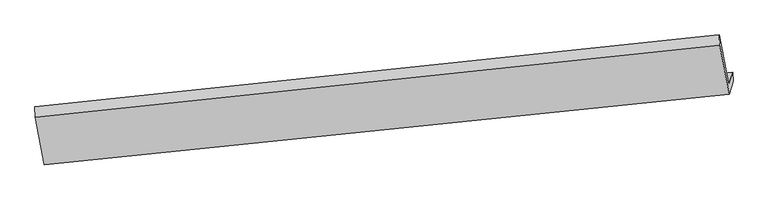
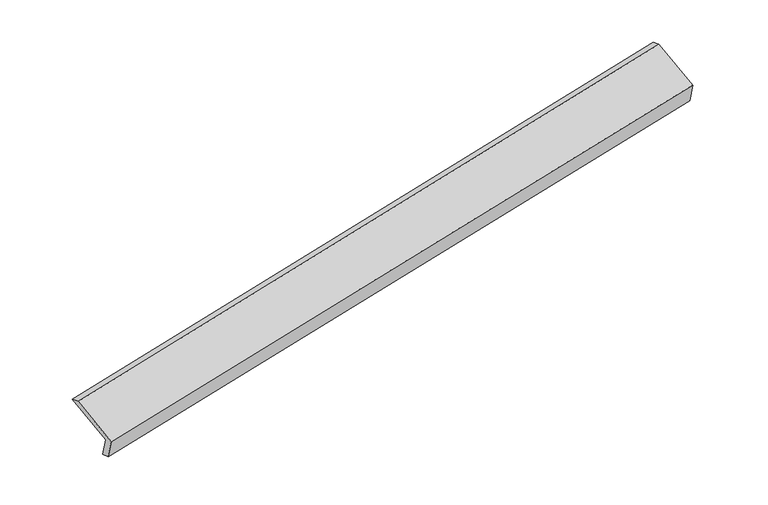
"""IFC4 building model written with IfcOpenShell, lengths in millimetres: proxy geometry."""

from ifc_helpers import new_model, si_unit, frame, origin, place, context, project, spatial, source, transform, mapped, element, save
from ifc_brep_helpers import plane_surface, spline_surface, advanced_brep


def generic_models_68d796a6(model_context):
    return source(origin(), model_context, "Body", "AdvancedBrep", [
        advanced_brep(
        [(-7590.3658871, -2041.4841684, 617.1451943), (-7643.9712597, -2213.4077821, 981.084775), (1967.7733551, -1229.8028716, 2867.0471441), (2021.3787278, -1057.8792578, 2503.1075633), (-7583.0472233, -2177.1801785, 651.3364833), (2026.9823968, -1184.5721867, 2541.2992672), (-7639.1041232, -2356.9663515, 1031.9200634), (1970.9254969, -1364.3583597, 2921.8828474), (-7766.7705006, -1686.7655924, 1329.716012), (1840.6866273, -680.6529785, 3225.6794185), (-7772.0879501, -1540.8430485, 1279.9311283), (1835.3691779, -534.7304347, 3175.8945348)],
        [
            (0, 1),
            (1, 2),
            (2, 3),
            (3, 0),
            (4, 0),
            (3, 5),
            (5, 4),
            (6, 4),
            (5, 7),
            (7, 6),
            (8, 6),
            (7, 9),
            (9, 8),
            (10, 8),
            (9, 11),
            (11, 10),
            (1, 10),
            (11, 2),
        ],
        [
            plane_surface(frame((-7617.1685734, -2127.4459752, 799.1149847), z_axis=(-0.17066650293905922, 0.9003938843313181, 0.40020469491663063), x_axis=(-0.13201400478670242, -0.4233964551770642, 0.89627436886462))),
            spline_surface(1, 1, [[(-7583.0472233, -2177.1801785, 651.3364833), (2026.9823968, -1184.5721867, 2541.2992672)], [(-7590.3658871, -2041.4841684, 617.1451943), (2021.3787278, -1057.8792578, 2503.1075633)]], [2, 2], [2, 2], [0.0, 1.0], [0.0, 1.0]),
            plane_surface(frame((-7611.0756732, -2267.073265, 841.6282733), z_axis=(0.17165830532847312, -0.900291704531418, -0.4000103410709164), x_axis=(0.13201400478658967, 0.42339645517709656, -0.8962743688646213))),
            plane_surface(frame((-7702.9373119, -2021.8659719, 1180.8180377), z_axis=(-0.13250985897131307, -0.4234476483342984, 0.8961770061743134), x_axis=(0.17149947417328307, -0.9003081317137166, -0.4000414957581833))),
            plane_surface(frame((-7769.4292254, -1613.8043204, 1304.8235702), z_axis=(-0.2151516996153848, 0.3083040845086185, 0.9266381913281548), x_axis=(0.0344677615531478, -0.9458714139933919, 0.3227061226621785))),
            plane_surface(frame((-7708.0296049, -1877.1254153, 1130.5079517), z_axis=(0.13250985897132234, 0.42344764833424786, -0.896177006174336), x_axis=(-0.17149947417328285, 0.9003081317137397, 0.4000414957581316))),
            plane_surface(frame((1943.8526303, -1008.6660148, 2872.4851292), z_axis=(0.9762992537631561, 0.10089950303941841, 0.19146555143916427), x_axis=(0.17149947417328307, -0.9003081317137166, -0.4000414957581833))),
            plane_surface(frame((-7665.8911573, -2002.7745202, 981.8556094), z_axis=(-0.976299253763102, -0.10089950303960663, -0.19146555143934035), x_axis=(0.13201400478668188, 0.4233964551770581, -0.8962743688646259))),
        ],
        [
            (0, [[1, 2, 3, 4]]),
            (1, [[5, -4, 6, 7]]),
            (2, [[8, -7, 9, 10]]),
            (3, [[11, -10, 12, 13]]),
            (4, [[14, -13, 15, 16]]),
            (5, [[17, -16, 18, -2]]),
            (6, [[-12, -9, -6, -3, -18, -15]]),
            (7, [[-1, -5, -8, -11, -14, -17]]),
        ],
    ),
    ])


if __name__ == "__main__":
    model = new_model("IFC4")
    model_context = context("Model", 3, world=origin())
    ifc_project = project(units=[si_unit("LENGTHUNIT", "METRE", prefix="MILLI")], contexts=[model_context])
    site = spatial("IfcSite", under=ifc_project)
    building = spatial("IfcBuilding", under=site)
    placement = place(None, origin())
    generic_models_shape = generic_models_68d796a6(model_context)
    element("IfcBuildingElementProxy", 1, Name="Generic Models", at=placement, inside=building, context=model_context, shape_type="MappedRepresentation", body=[
        mapped(generic_models_shape, transform((0.0, 0.0, 0.0), x_axis=(1.0, 0.0, 0.0), y_axis=(0.0, 1.0, 0.0), z_axis=(0.0, 0.0, 1.0))),
    ])
    save(model, "model.ifc")
